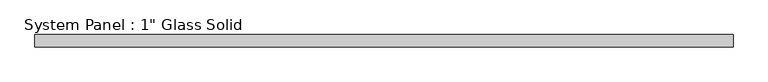
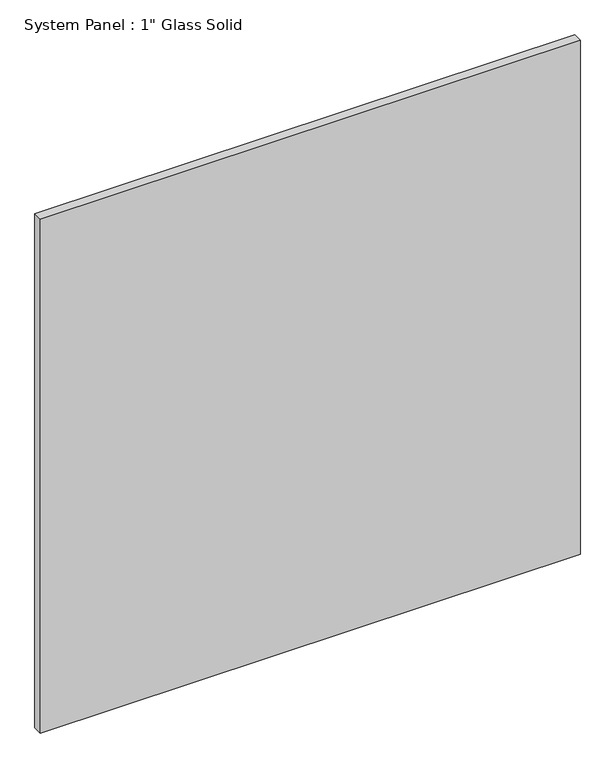
"""IFC4 building model written with IfcOpenShell, lengths in millimetres: plate geometry."""

from ifc_helpers import new_model, si_unit, origin, origin_with_axes, place, context, project, spatial, polyline, outline, extrude, source, transform, mapped, element, save


def plate_18c2fc14(model_context):
    return source(origin(), model_context, "Body", "SweptSolid", [
        extrude(outline(polyline([(716.0139199, -12.7), (-716.0139199, -12.7), (-716.0139199, 12.7), (716.0139199, 12.7), (716.0139199, -12.7)])), origin_with_axes(), (0.0, 0.0, 1.0), 1440.1817704),
    ])


if __name__ == "__main__":
    model = new_model("IFC4")
    model_context = context("Model", 3, world=origin())
    ifc_project = project(units=[si_unit("LENGTHUNIT", "METRE", prefix="MILLI")], contexts=[model_context])
    site = spatial("IfcSite", under=ifc_project)
    building = spatial("IfcBuilding", under=site)
    placement = place(None, origin())
    plate_shape = plate_18c2fc14(model_context)
    element("IfcPlate", 1, ObjectType="System Panel : 1\" Glass Solid", at=placement, inside=building, context=model_context, shape_type="MappedRepresentation", body=[
        mapped(plate_shape, transform((0.0, 0.0, 0.0), x_axis=(1.0, 0.0, 0.0), y_axis=(0.0, 1.0, 0.0), z_axis=(0.0, 0.0, 1.0))),
    ])
    save(model, "model.ifc")
